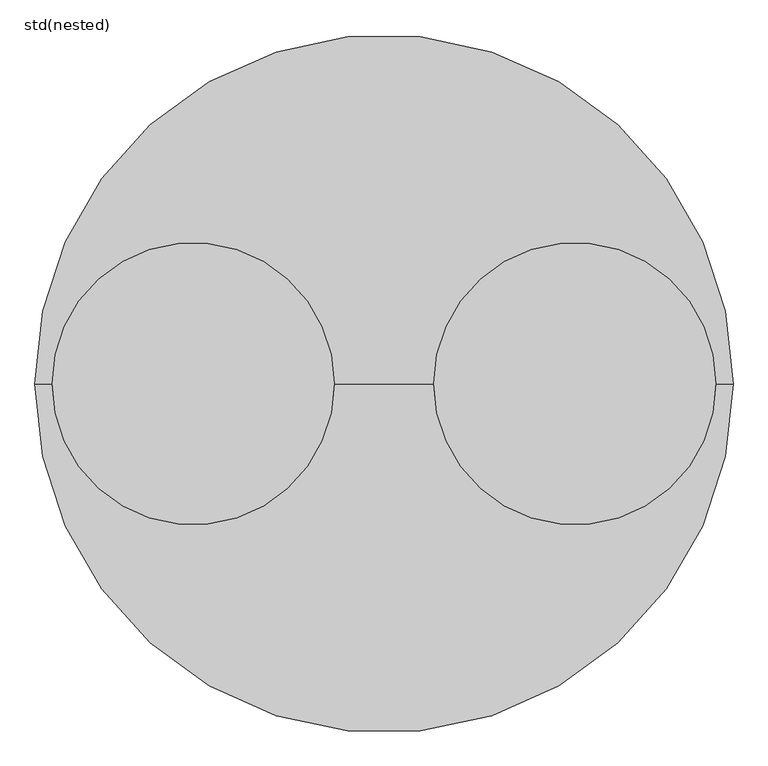
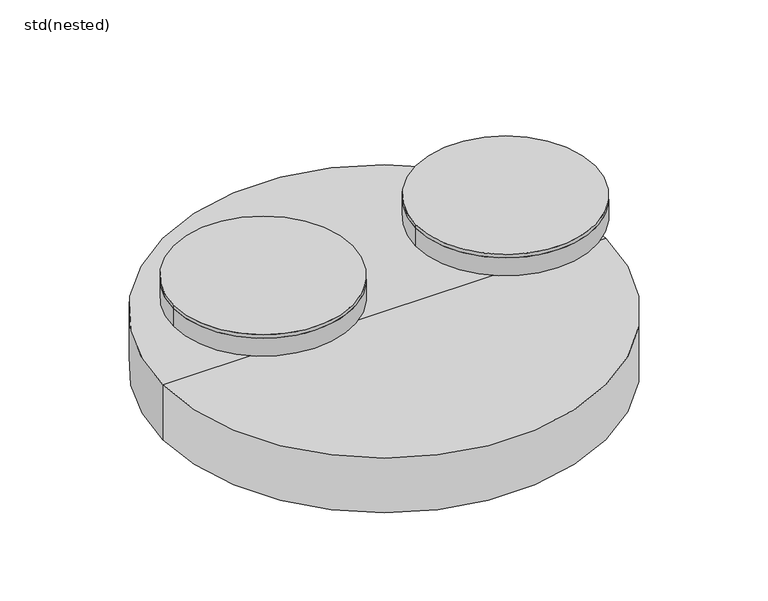
"""IFC4 building model written with IfcOpenShell, lengths in millimetres: unitary equipment geometry, std(nested)."""

import ifcopenshell
import ifcopenshell.guid

model = None  # the IFC model being written
_history = None  # IfcOwnerHistory: only IFC2X3 demands one
_inside = {}  # id of a spatial element -> (the spatial element, [elements in it])
_under = {}  # id of a project, library or spatial element -> (it, [spatial elements below it])
_declared = {}  # id of a project -> (the project, [libraries it declares])
_typed = {}  # id of a type object -> (the type object, [elements of that type])
_made_of = {}  # id of a material, layer set ... -> (it, [elements and type objects made of it])


def new_model(schema):
    """Start an empty IFC model of exactly this schema.

    Asked for "IFC4X3", IfcOpenShell would pick the latest addendum, in which some entities
    have other attributes; the version numbers below select the first issue.
    IFC2X3 requires an IfcOwnerHistory on every rooted entity: one is made here for all.
    """
    global model, _history
    if schema == "IFC4X3":
        model = ifcopenshell.file(schema_version=(4, 3, 0, 0))
    else:
        model = ifcopenshell.file(schema=schema)
    _inside.clear()
    _under.clear()
    _declared.clear()
    _typed.clear()
    _made_of.clear()
    _history = None
    if model.schema == "IFC2X3":
        org = make("IfcOrganization", Name="unknown")
        user = make(
            "IfcPersonAndOrganization",
            ThePerson=make("IfcPerson", FamilyName="unknown"),
            TheOrganization=org,
        )
        app = make(
            "IfcApplication",
            ApplicationDeveloper=org,
            Version="unknown",
            ApplicationFullName="unknown",
            ApplicationIdentifier="unknown",
        )
        _history = make(
            "IfcOwnerHistory",
            OwningUser=user,
            OwningApplication=app,
            ChangeAction="ADDED",
            CreationDate=0,
        )
    return model


def make(cls, **values):
    """One entity of the class cls with the attributes given. An attribute that is None is left unset."""
    return model.create_entity(
        cls, **{name: value for name, value in values.items() if value is not None}
    )


def rooted(cls, **values):
    """An entity with a GlobalId (a new one), such as an element, a storey or a relation."""
    return make(cls, GlobalId=ifcopenshell.guid.new(), OwnerHistory=_history, **values)


def si_unit(unit_type, name, prefix=None):
    """IfcSIUnit, for example si_unit("LENGTHUNIT", "METRE", prefix="MILLI")."""
    return make("IfcSIUnit", UnitType=unit_type, Prefix=prefix, Name=name)


def assignment(units):
    """IfcUnitAssignment: the units of a project."""
    return None if units is None else make("IfcUnitAssignment", Units=units)


def point(xyz):
    """IfcCartesianPoint."""
    return None if xyz is None else make("IfcCartesianPoint", Coordinates=xyz)


def direction(xyz):
    """IfcDirection."""
    return None if xyz is None else make("IfcDirection", DirectionRatios=xyz)


def frame(location, z_axis=None, x_axis=None):
    """IfcAxis2Placement3D, a coordinate frame: its origin and axes. An axis left out is left unset."""
    return make(
        "IfcAxis2Placement3D",
        Location=point(location),
        Axis=direction(z_axis),
        RefDirection=direction(x_axis),
    )


def frame_2d(location, x_axis=None):
    """IfcAxis2Placement2D, a coordinate frame in the plane: its origin and x axis."""
    return make(
        "IfcAxis2Placement2D", Location=point(location), RefDirection=direction(x_axis)
    )


def origin():
    """The frame at (0, 0, 0) with its axes left unset."""
    return frame((0.0, 0.0, 0.0))


def place(relative_to, where):
    """IfcLocalPlacement: puts the frame where relative to a parent placement (None: the world)."""
    return make(
        "IfcLocalPlacement", PlacementRelTo=relative_to, RelativePlacement=where
    )


def context(
    kind, dimensions, precision=None, world=None, true_north=None, identifier=None
):
    """IfcGeometricRepresentationContext, for example the 3D "Model" context."""
    return make(
        "IfcGeometricRepresentationContext",
        ContextIdentifier=identifier,
        ContextType=kind,
        CoordinateSpaceDimension=dimensions,
        Precision=precision,
        WorldCoordinateSystem=world,
        TrueNorth=true_north,
    )


def project(units=None, contexts=None):
    """IfcProject with its units and contexts."""
    return rooted(
        "IfcProject",
        Name="project",
        RepresentationContexts=contexts,
        UnitsInContext=assignment(units),
    )


def spatial(cls, under=None, at=None, **own):
    """A site, building, storey or space (cls), placed at a placement, below another one or the project."""
    s = rooted(cls, ObjectPlacement=at, **own)
    if under is not None:
        _under.setdefault(under.id(), (under, []))[1].append(s)
    return s


def polyline(points):
    """IfcPolyline through the points."""
    return make("IfcPolyline", Points=[point(p) for p in points])


def circle_curve(where, radius):
    """IfcCircle in the frame where."""
    return make("IfcCircle", Position=where, Radius=radius)


def trimmed(basis, trim1, trim2, sense, master):
    """IfcTrimmedCurve: the piece of a basis curve between two trims."""
    return make(
        "IfcTrimmedCurve",
        BasisCurve=basis,
        Trim1=trim1,
        Trim2=trim2,
        SenseAgreement=sense,
        MasterRepresentation=master,
    )


def segment(curve, same_sense, transition):
    """IfcCompositeCurveSegment."""
    return make(
        "IfcCompositeCurveSegment",
        Transition=transition,
        SameSense=same_sense,
        ParentCurve=curve,
    )


def composite_curve(segments, self_intersect=None):
    """IfcCompositeCurve: segments joined end to end."""
    return make("IfcCompositeCurve", Segments=segments, SelfIntersect=self_intersect)


def outline(outer, holes=None, kind="AREA"):
    """IfcArbitraryClosedProfileDef: a profile drawn as a closed curve; with holes, ...WithVoids."""
    if holes is None:
        return make("IfcArbitraryClosedProfileDef", ProfileType=kind, OuterCurve=outer)
    return make(
        "IfcArbitraryProfileDefWithVoids",
        ProfileType=kind,
        OuterCurve=outer,
        InnerCurves=holes,
    )


def extrude(swept, where, along, depth):
    """IfcExtrudedAreaSolid: the profile swept, set in the frame where, extruded along a direction by depth."""
    return make(
        "IfcExtrudedAreaSolid",
        SweptArea=swept,
        Position=where,
        ExtrudedDirection=direction(along),
        Depth=depth,
    )


def shape(context_of_items, identifier, shape_type, items):
    """IfcShapeRepresentation: the items that make up one representation, for example the "Body"."""
    return make(
        "IfcShapeRepresentation",
        ContextOfItems=context_of_items,
        RepresentationIdentifier=identifier,
        RepresentationType=shape_type,
        Items=items,
    )


def source(mapping_origin, context_of_items, identifier, shape_type, items):
    """IfcRepresentationMap: a shape defined once, which mapped items show again and again."""
    return make(
        "IfcRepresentationMap",
        MappingOrigin=mapping_origin,
        MappedRepresentation=shape(context_of_items, identifier, shape_type, items),
    )


def transform(
    local_origin,
    x_axis=None,
    y_axis=None,
    z_axis=None,
    scale=None,
    scale2=None,
    scale3=None,
    uniform=True,
):
    """IfcCartesianTransformationOperator3D, or its non-uniform kind. x_axis, y_axis, z_axis: its Axis1, 2, 3."""
    if uniform:
        return make(
            "IfcCartesianTransformationOperator3D",
            Axis1=direction(x_axis),
            Axis2=direction(y_axis),
            LocalOrigin=point(local_origin),
            Scale=scale,
            Axis3=direction(z_axis),
        )
    return make(
        "IfcCartesianTransformationOperator3DnonUniform",
        Axis1=direction(x_axis),
        Axis2=direction(y_axis),
        LocalOrigin=point(local_origin),
        Scale=scale,
        Axis3=direction(z_axis),
        Scale2=scale2,
        Scale3=scale3,
    )


def mapped(mapping_source, mapping_target):
    """IfcMappedItem: shows the shape of a source again, moved by a transform."""
    return make(
        "IfcMappedItem", MappingSource=mapping_source, MappingTarget=mapping_target
    )


def made_of(thing, what):
    """Note that an element or type object is made of a material, layer set ...; save() writes the relation."""
    if what is not None:
        _made_of.setdefault(what.id(), (what, []))[1].append(thing)
    return thing


def element(
    cls,
    number,
    at=None,
    inside=None,
    cuts=None,
    type_object=None,
    material=None,
    context=None,
    identifier="Body",
    shape_type=None,
    held_by="IfcProductDefinitionShape",
    body=None,
    shapes=None,
    **own,
):
    """One element of the class cls, such as IfcWall. Its Tag is "e" and its number.

    at: its placement. inside: the storey or other place that contains it. cuts: it is an
    opening in that element (IfcRelVoidsElement). A single representation is given by context,
    identifier, shape_type and body (its items); several are given by shapes. held_by: the class
    of the entity that holds the representations. save() writes the other relations.
    """
    e = rooted(cls, Tag="e%d" % number, ObjectPlacement=at, **own)
    if body is not None:
        shapes = [shape(context, identifier, shape_type, body)]
    if shapes is not None:
        e.Representation = make(held_by, Representations=shapes)
    if inside is not None:
        _inside.setdefault(inside.id(), (inside, []))[1].append(e)
    if cuts is not None:
        rooted(
            "IfcRelVoidsElement", RelatingBuildingElement=cuts, RelatedOpeningElement=e
        )
    if type_object is not None:
        _typed.setdefault(type_object.id(), (type_object, []))[1].append(e)
    return made_of(e, material)


def aggregate(whole, parts):
    """IfcRelAggregates: a whole, such as a stair, and the parts it consists of."""
    return rooted("IfcRelAggregates", RelatingObject=whole, RelatedObjects=parts)


def save(model, path):
    """Write the relations noted so far, then the file.

    IfcRelAggregates (storeys below a building ...), IfcRelContainedInSpatialStructure (elements
    in a storey), IfcRelDefinesByType, IfcRelAssociatesMaterial and IfcRelDeclares: one each for
    every whole, place, type object, material and project.
    """
    for whole, parts in _under.values():
        aggregate(whole, parts)
    for where, things in _inside.values():
        rooted(
            "IfcRelContainedInSpatialStructure",
            RelatedElements=things,
            RelatingStructure=where,
        )
    for kind, things in _typed.values():
        rooted("IfcRelDefinesByType", RelatedObjects=things, RelatingType=kind)
    for what, things in _made_of.values():
        rooted("IfcRelAssociatesMaterial", RelatedObjects=things, RelatingMaterial=what)
    for by, libraries in _declared.values():
        rooted("IfcRelDeclares", RelatingContext=by, RelatedDefinitions=libraries)
    model.write(path)


def plane_surface(at):
    """IfcPlane: the flat surface through the origin of the frame at, square to its z axis."""
    return make("IfcPlane", Position=at)


def cylinder_surface(at, radius):
    """IfcCylindricalSurface: all points at the distance radius from the z axis of the frame at."""
    return make("IfcCylindricalSurface", Position=at, Radius=radius)


def revolved_surface(curve, axis_point, axis_direction):
    """IfcSurfaceOfRevolution: the curve turned about the line through axis_point along axis_direction."""
    return make(
        "IfcSurfaceOfRevolution",
        SweptCurve=make("IfcArbitraryOpenProfileDef", ProfileType="CURVE", Curve=curve),
        AxisPosition=make("IfcAxis1Placement", Location=point(axis_point), Axis=direction(axis_direction)),
    )


def advanced_brep(points, edges, surfaces, faces):
    """IfcAdvancedBrep: a solid bounded by faces that lie on surfaces and meet in shared edges.

    An edge is (start, end): straight between two places in points (the first is 0);
    or (start, end, curve); or (start, end, curve, False) where it runs against its curve.
    A face is (place in surfaces, loops), or (place, loops, False) where it looks against
    its surface's normal. A loop lists edges by number (the first is 1), with a minus sign
    where the edge is run from its end to its start. The first loop is the outer one.
    """
    corners = [point(p) for p in points]
    vertices = [make("IfcVertexPoint", VertexGeometry=c) for c in corners]
    made = []
    for start, end, *more in edges:
        made.append(
            make(
                "IfcEdgeCurve",
                EdgeStart=vertices[start],
                EdgeEnd=vertices[end],
                EdgeGeometry=more[0] if more else make("IfcPolyline", Points=[corners[start], corners[end]]),
                SameSense=more[1] if len(more) > 1 else True,
            )
        )
    hull = []
    for where, loops, *sense in faces:
        bounds = []
        for j, loop in enumerate(loops):
            ring = [make("IfcOrientedEdge", EdgeElement=made[abs(k) - 1], Orientation=k > 0) for k in loop]
            bounds.append(
                make(
                    "IfcFaceOuterBound" if j == 0 else "IfcFaceBound",
                    Bound=make("IfcEdgeLoop", EdgeList=ring),
                    Orientation=True,
                )
            )
        hull.append(make("IfcAdvancedFace", Bounds=bounds, FaceSurface=surfaces[where], SameSense=sense[0] if sense else True))
    return make("IfcAdvancedBrep", Outer=make("IfcClosedShell", CfsFaces=hull))


def std_nested_44524c5c(model_context):
    return source(origin(), model_context, "Body", "SolidModel", [
        extrude(outline(composite_curve([segment(trimmed(circle_curve(frame_2d((-670.0, 0.0)), 495.0), [point((-1165.0, 0.0))], [point((-175.0, 0.0))], False, "CARTESIAN"), True, "CONTINUOUS"), segment(trimmed(circle_curve(frame_2d((-670.0, 0.0)), 495.0), [point((-175.0, 0.0))], [point((-1165.0, 0.0))], False, "CARTESIAN"), True, "CONTINUOUS")], self_intersect=False)), frame((0.0, 0.0, -20.0), z_axis=(0.0, 0.0, 1.0), x_axis=(1.0, 0.0, 0.0)), (0.0, 0.0, 1.0), 20.0),
        extrude(outline(composite_curve([segment(trimmed(circle_curve(frame_2d((-670.0, 0.0)), 495.0), [point((-1165.0, 0.0))], [point((-175.0, 0.0))], False, "CARTESIAN"), True, "CONTINUOUS"), segment(trimmed(circle_curve(frame_2d((-670.0, 0.0)), 495.0), [point((-175.0, 0.0))], [point((-1165.0, 0.0))], False, "CARTESIAN"), True, "CONTINUOUS")], self_intersect=False)), frame((0.0, 0.0, -125.0), z_axis=(0.0, 0.0, 1.0), x_axis=(1.0, 0.0, 0.0)), (0.0, 0.0, 1.0), 105.0),
        extrude(outline(composite_curve([segment(trimmed(circle_curve(frame_2d((670.0, 0.0)), 495.0), [point((175.0, 0.0))], [point((1165.0, 0.0))], False, "CARTESIAN"), True, "CONTINUOUS"), segment(trimmed(circle_curve(frame_2d((670.0, 0.0)), 495.0), [point((1165.0, 0.0))], [point((175.0, 0.0))], False, "CARTESIAN"), True, "CONTINUOUS")], self_intersect=False)), frame((0.0, 0.0, -20.0), z_axis=(0.0, 0.0, 1.0), x_axis=(1.0, 0.0, 0.0)), (0.0, 0.0, 1.0), 20.0),
        extrude(outline(composite_curve([segment(trimmed(circle_curve(frame_2d((670.0, 0.0)), 495.0), [point((175.0, 0.0))], [point((1165.0, 0.0))], False, "CARTESIAN"), True, "CONTINUOUS"), segment(trimmed(circle_curve(frame_2d((670.0, 0.0)), 495.0), [point((1165.0, 0.0))], [point((175.0, 0.0))], False, "CARTESIAN"), True, "CONTINUOUS")], self_intersect=False)), frame((0.0, 0.0, -125.0), z_axis=(0.0, 0.0, 1.0), x_axis=(1.0, 0.0, 0.0)), (0.0, 0.0, 1.0), 105.0),
        advanced_brep(
        [(1225.0, 0.0, -445.0), (-1225.0, 0.0, -445.0), (0.0, 0.0, -445.0), (1225.0, 0.0, -765.0), (-1225.0, 0.0, -765.0), (1155.0, 0.0, -765.0), (-1155.0, 0.0, -765.0), (1155.0, 0.0, -685.0), (-1155.0, 0.0, -685.0), (0.0, 0.0, -685.0)],
        [
            (0, 1, circle_curve(frame((0.0, 0.0, -445.0), z_axis=(0.0, 0.0, 1.0), x_axis=(-1.0, 0.0, 0.0)), 1225.0)),
            (1, 2),
            (2, 0),
            (1, 0, circle_curve(frame((0.0, 0.0, -445.0), z_axis=(0.0, 0.0, 1.0), x_axis=(-1.0, 0.0, 0.0)), 1225.0)),
            (3, 4, circle_curve(frame((0.0, 0.0, -765.0), z_axis=(0.0, 0.0, 1.0), x_axis=(-1.0, 0.0, 0.0)), 1225.0)),
            (4, 1),
            (0, 3),
            (4, 3, circle_curve(frame((0.0, 0.0, -765.0), z_axis=(0.0, 0.0, 1.0), x_axis=(-1.0, 0.0, 0.0)), 1225.0)),
            (5, 6, circle_curve(frame((0.0, 0.0, -765.0), z_axis=(0.0, 0.0, 1.0), x_axis=(-1.0, 0.0, 0.0)), 1155.0)),
            (6, 4),
            (3, 5),
            (6, 5, circle_curve(frame((0.0, 0.0, -765.0), z_axis=(0.0, 0.0, 1.0), x_axis=(-1.0, 0.0, 0.0)), 1155.0)),
            (7, 8, circle_curve(frame((0.0, 0.0, -685.0), z_axis=(0.0, 0.0, 1.0), x_axis=(-1.0, 0.0, 0.0)), 1155.0)),
            (8, 6),
            (5, 7),
            (8, 7, circle_curve(frame((0.0, 0.0, -685.0), z_axis=(0.0, 0.0, 1.0), x_axis=(-1.0, 0.0, 0.0)), 1155.0)),
            (9, 8),
            (7, 9),
        ],
        [
            plane_surface(frame((0.0, 0.0, -445.0), z_axis=(0.0, 0.0, 1.0), x_axis=(-1.0, 0.0, 0.0))),
            cylinder_surface(frame((0.0, 0.0, -482.498608), z_axis=(0.0, 0.0, -1.0), x_axis=(-1.0, 0.0, 0.0)), 1225.0),
            plane_surface(frame((0.0, 0.0, -765.0), z_axis=(0.0, 0.0, -1.0), x_axis=(-1.0, 0.0, 0.0))),
            revolved_surface(polyline([(-1155.0, 0.0, -765.0), (-1155.0, 0.0, -685.0)]), (0.0, 0.0, -482.498608), (0.0, 0.0, -1.0)),
            plane_surface(frame((0.0, 0.0, -685.0), z_axis=(0.0, 0.0, -1.0), x_axis=(-1.0, 0.0, 0.0))),
        ],
        [
            (0, [[1, 2, 3]]),
            (0, [[4, -3, -2]]),
            (1, [[5, 6, -1, 7]]),
            (1, [[8, -7, -4, -6]]),
            (2, [[9, 10, -5, 11]]),
            (2, [[12, -11, -8, -10]]),
            (3, [[13, 14, -9, 15]]),
            (3, [[16, -15, -12, -14]]),
            (4, [[17, -13, 18]]),
            (4, [[-18, -16, -17]]),
        ],
    ),
    ])


if __name__ == "__main__":
    model = new_model("IFC4")
    model_context = context("Model", 3, world=origin())
    ifc_project = project(units=[si_unit("LENGTHUNIT", "METRE", prefix="MILLI")], contexts=[model_context])
    site = spatial("IfcSite", under=ifc_project)
    building = spatial("IfcBuilding", under=site)
    placement = place(None, origin())
    std_nested_shape = std_nested_44524c5c(model_context)
    element("IfcUnitaryEquipment", 1, ObjectType="std(nested)", at=placement, inside=building, context=model_context, shape_type="MappedRepresentation", body=[
        mapped(std_nested_shape, transform((0.0, 0.0, 0.0), x_axis=(1.0, 0.0, 0.0), y_axis=(0.0, 1.0, 0.0), z_axis=(0.0, 0.0, 1.0))),
    ])
    save(model, "model.ifc")
